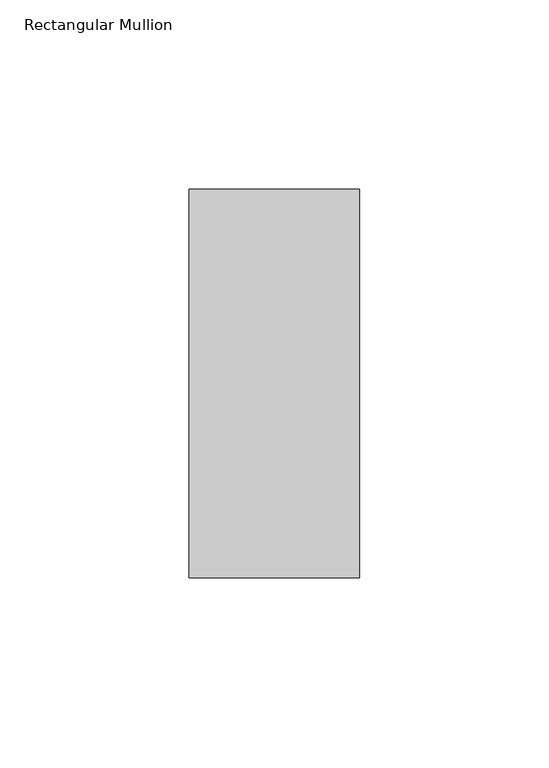
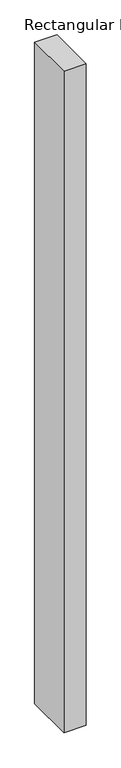
"""IFC4 building model written with IfcOpenShell, lengths in millimetres: member geometry, Rectangular Mullion."""

import ifcopenshell
import ifcopenshell.guid

model = None  # the IFC model being written
_history = None  # IfcOwnerHistory: only IFC2X3 demands one
_inside = {}  # id of a spatial element -> (the spatial element, [elements in it])
_under = {}  # id of a project, library or spatial element -> (it, [spatial elements below it])
_declared = {}  # id of a project -> (the project, [libraries it declares])
_typed = {}  # id of a type object -> (the type object, [elements of that type])
_made_of = {}  # id of a material, layer set ... -> (it, [elements and type objects made of it])


def new_model(schema):
    """Start an empty IFC model of exactly this schema.

    Asked for "IFC4X3", IfcOpenShell would pick the latest addendum, in which some entities
    have other attributes; the version numbers below select the first issue.
    IFC2X3 requires an IfcOwnerHistory on every rooted entity: one is made here for all.
    """
    global model, _history
    if schema == "IFC4X3":
        model = ifcopenshell.file(schema_version=(4, 3, 0, 0))
    else:
        model = ifcopenshell.file(schema=schema)
    _inside.clear()
    _under.clear()
    _declared.clear()
    _typed.clear()
    _made_of.clear()
    _history = None
    if model.schema == "IFC2X3":
        org = make("IfcOrganization", Name="unknown")
        user = make(
            "IfcPersonAndOrganization",
            ThePerson=make("IfcPerson", FamilyName="unknown"),
            TheOrganization=org,
        )
        app = make(
            "IfcApplication",
            ApplicationDeveloper=org,
            Version="unknown",
            ApplicationFullName="unknown",
            ApplicationIdentifier="unknown",
        )
        _history = make(
            "IfcOwnerHistory",
            OwningUser=user,
            OwningApplication=app,
            ChangeAction="ADDED",
            CreationDate=0,
        )
    return model


def make(cls, **values):
    """One entity of the class cls with the attributes given. An attribute that is None is left unset."""
    return model.create_entity(
        cls, **{name: value for name, value in values.items() if value is not None}
    )


def rooted(cls, **values):
    """An entity with a GlobalId (a new one), such as an element, a storey or a relation."""
    return make(cls, GlobalId=ifcopenshell.guid.new(), OwnerHistory=_history, **values)


def si_unit(unit_type, name, prefix=None):
    """IfcSIUnit, for example si_unit("LENGTHUNIT", "METRE", prefix="MILLI")."""
    return make("IfcSIUnit", UnitType=unit_type, Prefix=prefix, Name=name)


def assignment(units):
    """IfcUnitAssignment: the units of a project."""
    return None if units is None else make("IfcUnitAssignment", Units=units)


def point(xyz):
    """IfcCartesianPoint."""
    return None if xyz is None else make("IfcCartesianPoint", Coordinates=xyz)


def direction(xyz):
    """IfcDirection."""
    return None if xyz is None else make("IfcDirection", DirectionRatios=xyz)


def frame(location, z_axis=None, x_axis=None):
    """IfcAxis2Placement3D, a coordinate frame: its origin and axes. An axis left out is left unset."""
    return make(
        "IfcAxis2Placement3D",
        Location=point(location),
        Axis=direction(z_axis),
        RefDirection=direction(x_axis),
    )


def origin():
    """The frame at (0, 0, 0) with its axes left unset."""
    return frame((0.0, 0.0, 0.0))


def place(relative_to, where):
    """IfcLocalPlacement: puts the frame where relative to a parent placement (None: the world)."""
    return make(
        "IfcLocalPlacement", PlacementRelTo=relative_to, RelativePlacement=where
    )


def context(
    kind, dimensions, precision=None, world=None, true_north=None, identifier=None
):
    """IfcGeometricRepresentationContext, for example the 3D "Model" context."""
    return make(
        "IfcGeometricRepresentationContext",
        ContextIdentifier=identifier,
        ContextType=kind,
        CoordinateSpaceDimension=dimensions,
        Precision=precision,
        WorldCoordinateSystem=world,
        TrueNorth=true_north,
    )


def project(units=None, contexts=None):
    """IfcProject with its units and contexts."""
    return rooted(
        "IfcProject",
        Name="project",
        RepresentationContexts=contexts,
        UnitsInContext=assignment(units),
    )


def spatial(cls, under=None, at=None, **own):
    """A site, building, storey or space (cls), placed at a placement, below another one or the project."""
    s = rooted(cls, ObjectPlacement=at, **own)
    if under is not None:
        _under.setdefault(under.id(), (under, []))[1].append(s)
    return s


def polyline(points):
    """IfcPolyline through the points."""
    return make("IfcPolyline", Points=[point(p) for p in points])


def outline(outer, holes=None, kind="AREA"):
    """IfcArbitraryClosedProfileDef: a profile drawn as a closed curve; with holes, ...WithVoids."""
    if holes is None:
        return make("IfcArbitraryClosedProfileDef", ProfileType=kind, OuterCurve=outer)
    return make(
        "IfcArbitraryProfileDefWithVoids",
        ProfileType=kind,
        OuterCurve=outer,
        InnerCurves=holes,
    )


def extrude(swept, where, along, depth):
    """IfcExtrudedAreaSolid: the profile swept, set in the frame where, extruded along a direction by depth."""
    return make(
        "IfcExtrudedAreaSolid",
        SweptArea=swept,
        Position=where,
        ExtrudedDirection=direction(along),
        Depth=depth,
    )


def shape(context_of_items, identifier, shape_type, items):
    """IfcShapeRepresentation: the items that make up one representation, for example the "Body"."""
    return make(
        "IfcShapeRepresentation",
        ContextOfItems=context_of_items,
        RepresentationIdentifier=identifier,
        RepresentationType=shape_type,
        Items=items,
    )


def source(mapping_origin, context_of_items, identifier, shape_type, items):
    """IfcRepresentationMap: a shape defined once, which mapped items show again and again."""
    return make(
        "IfcRepresentationMap",
        MappingOrigin=mapping_origin,
        MappedRepresentation=shape(context_of_items, identifier, shape_type, items),
    )


def transform(
    local_origin,
    x_axis=None,
    y_axis=None,
    z_axis=None,
    scale=None,
    scale2=None,
    scale3=None,
    uniform=True,
):
    """IfcCartesianTransformationOperator3D, or its non-uniform kind. x_axis, y_axis, z_axis: its Axis1, 2, 3."""
    if uniform:
        return make(
            "IfcCartesianTransformationOperator3D",
            Axis1=direction(x_axis),
            Axis2=direction(y_axis),
            LocalOrigin=point(local_origin),
            Scale=scale,
            Axis3=direction(z_axis),
        )
    return make(
        "IfcCartesianTransformationOperator3DnonUniform",
        Axis1=direction(x_axis),
        Axis2=direction(y_axis),
        LocalOrigin=point(local_origin),
        Scale=scale,
        Axis3=direction(z_axis),
        Scale2=scale2,
        Scale3=scale3,
    )


def mapped(mapping_source, mapping_target):
    """IfcMappedItem: shows the shape of a source again, moved by a transform."""
    return make(
        "IfcMappedItem", MappingSource=mapping_source, MappingTarget=mapping_target
    )


def made_of(thing, what):
    """Note that an element or type object is made of a material, layer set ...; save() writes the relation."""
    if what is not None:
        _made_of.setdefault(what.id(), (what, []))[1].append(thing)
    return thing


def element(
    cls,
    number,
    at=None,
    inside=None,
    cuts=None,
    type_object=None,
    material=None,
    context=None,
    identifier="Body",
    shape_type=None,
    held_by="IfcProductDefinitionShape",
    body=None,
    shapes=None,
    **own,
):
    """One element of the class cls, such as IfcWall. Its Tag is "e" and its number.

    at: its placement. inside: the storey or other place that contains it. cuts: it is an
    opening in that element (IfcRelVoidsElement). A single representation is given by context,
    identifier, shape_type and body (its items); several are given by shapes. held_by: the class
    of the entity that holds the representations. save() writes the other relations.
    """
    e = rooted(cls, Tag="e%d" % number, ObjectPlacement=at, **own)
    if body is not None:
        shapes = [shape(context, identifier, shape_type, body)]
    if shapes is not None:
        e.Representation = make(held_by, Representations=shapes)
    if inside is not None:
        _inside.setdefault(inside.id(), (inside, []))[1].append(e)
    if cuts is not None:
        rooted(
            "IfcRelVoidsElement", RelatingBuildingElement=cuts, RelatedOpeningElement=e
        )
    if type_object is not None:
        _typed.setdefault(type_object.id(), (type_object, []))[1].append(e)
    return made_of(e, material)


def aggregate(whole, parts):
    """IfcRelAggregates: a whole, such as a stair, and the parts it consists of."""
    return rooted("IfcRelAggregates", RelatingObject=whole, RelatedObjects=parts)


def save(model, path):
    """Write the relations noted so far, then the file.

    IfcRelAggregates (storeys below a building ...), IfcRelContainedInSpatialStructure (elements
    in a storey), IfcRelDefinesByType, IfcRelAssociatesMaterial and IfcRelDeclares: one each for
    every whole, place, type object, material and project.
    """
    for whole, parts in _under.values():
        aggregate(whole, parts)
    for where, things in _inside.values():
        rooted(
            "IfcRelContainedInSpatialStructure",
            RelatedElements=things,
            RelatingStructure=where,
        )
    for kind, things in _typed.values():
        rooted("IfcRelDefinesByType", RelatedObjects=things, RelatingType=kind)
    for what, things in _made_of.values():
        rooted("IfcRelAssociatesMaterial", RelatedObjects=things, RelatingMaterial=what)
    for by, libraries in _declared.values():
        rooted("IfcRelDeclares", RelatingContext=by, RelatedDefinitions=libraries)
    model.write(path)


def rectangular_mullion_c0be4108(model_context):
    return source(origin(), model_context, "Body", "SweptSolid", [
        extrude(outline(polyline([(22.5, 66.73125), (22.5, -35.73125), (-22.5, -35.73125), (-22.5, 66.73125), (22.5, 66.73125)])), frame((0.0, 0.0, -1420.1808809), z_axis=(0.0, 0.0, 1.0), x_axis=(1.0, 0.0, 0.0)), (0.0, 0.0, 1.0), 1420.1808809),
    ])


if __name__ == "__main__":
    model = new_model("IFC4")
    model_context = context("Model", 3, world=origin())
    ifc_project = project(units=[si_unit("LENGTHUNIT", "METRE", prefix="MILLI")], contexts=[model_context])
    site = spatial("IfcSite", under=ifc_project)
    building = spatial("IfcBuilding", under=site)
    placement = place(None, origin())
    rectangular_mullion_shape = rectangular_mullion_c0be4108(model_context)
    element("IfcMember", 1, ObjectType="Rectangular Mullion", at=placement, inside=building, context=model_context, shape_type="MappedRepresentation", body=[
        mapped(rectangular_mullion_shape, transform((0.0, 0.0, 0.0), x_axis=(1.0, 0.0, 0.0), y_axis=(0.0, 1.0, 0.0), z_axis=(0.0, 0.0, 1.0))),
    ])
    save(model, "model.ifc")
